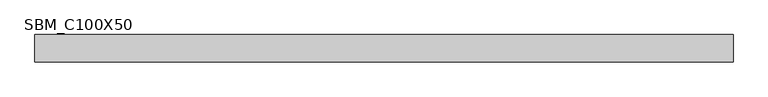
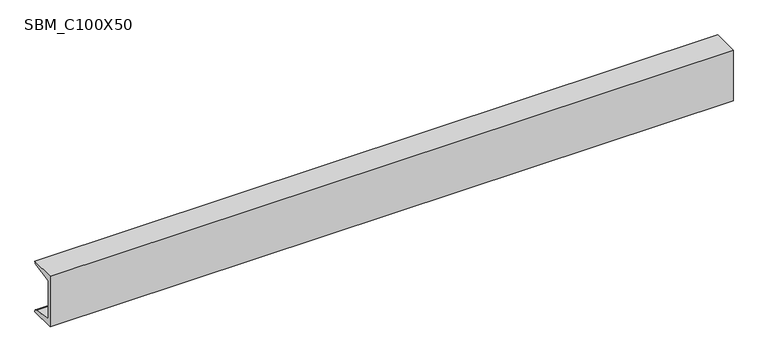
"""IFC4 building model written with IfcOpenShell, lengths in millimetres: beam geometry, SBM_C100X50."""

import ifcopenshell
import ifcopenshell.guid

model = None  # the IFC model being written
_history = None  # IfcOwnerHistory: only IFC2X3 demands one
_inside = {}  # id of a spatial element -> (the spatial element, [elements in it])
_under = {}  # id of a project, library or spatial element -> (it, [spatial elements below it])
_declared = {}  # id of a project -> (the project, [libraries it declares])
_typed = {}  # id of a type object -> (the type object, [elements of that type])
_made_of = {}  # id of a material, layer set ... -> (it, [elements and type objects made of it])


def new_model(schema):
    """Start an empty IFC model of exactly this schema.

    Asked for "IFC4X3", IfcOpenShell would pick the latest addendum, in which some entities
    have other attributes; the version numbers below select the first issue.
    IFC2X3 requires an IfcOwnerHistory on every rooted entity: one is made here for all.
    """
    global model, _history
    if schema == "IFC4X3":
        model = ifcopenshell.file(schema_version=(4, 3, 0, 0))
    else:
        model = ifcopenshell.file(schema=schema)
    _inside.clear()
    _under.clear()
    _declared.clear()
    _typed.clear()
    _made_of.clear()
    _history = None
    if model.schema == "IFC2X3":
        org = make("IfcOrganization", Name="unknown")
        user = make(
            "IfcPersonAndOrganization",
            ThePerson=make("IfcPerson", FamilyName="unknown"),
            TheOrganization=org,
        )
        app = make(
            "IfcApplication",
            ApplicationDeveloper=org,
            Version="unknown",
            ApplicationFullName="unknown",
            ApplicationIdentifier="unknown",
        )
        _history = make(
            "IfcOwnerHistory",
            OwningUser=user,
            OwningApplication=app,
            ChangeAction="ADDED",
            CreationDate=0,
        )
    return model


def make(cls, **values):
    """One entity of the class cls with the attributes given. An attribute that is None is left unset."""
    return model.create_entity(
        cls, **{name: value for name, value in values.items() if value is not None}
    )


def rooted(cls, **values):
    """An entity with a GlobalId (a new one), such as an element, a storey or a relation."""
    return make(cls, GlobalId=ifcopenshell.guid.new(), OwnerHistory=_history, **values)


def si_unit(unit_type, name, prefix=None):
    """IfcSIUnit, for example si_unit("LENGTHUNIT", "METRE", prefix="MILLI")."""
    return make("IfcSIUnit", UnitType=unit_type, Prefix=prefix, Name=name)


def assignment(units):
    """IfcUnitAssignment: the units of a project."""
    return None if units is None else make("IfcUnitAssignment", Units=units)


def point(xyz):
    """IfcCartesianPoint."""
    return None if xyz is None else make("IfcCartesianPoint", Coordinates=xyz)


def direction(xyz):
    """IfcDirection."""
    return None if xyz is None else make("IfcDirection", DirectionRatios=xyz)


def frame(location, z_axis=None, x_axis=None):
    """IfcAxis2Placement3D, a coordinate frame: its origin and axes. An axis left out is left unset."""
    return make(
        "IfcAxis2Placement3D",
        Location=point(location),
        Axis=direction(z_axis),
        RefDirection=direction(x_axis),
    )


def frame_2d(location, x_axis=None):
    """IfcAxis2Placement2D, a coordinate frame in the plane: its origin and x axis."""
    return make(
        "IfcAxis2Placement2D", Location=point(location), RefDirection=direction(x_axis)
    )


def origin():
    """The frame at (0, 0, 0) with its axes left unset."""
    return frame((0.0, 0.0, 0.0))


def place(relative_to, where):
    """IfcLocalPlacement: puts the frame where relative to a parent placement (None: the world)."""
    return make(
        "IfcLocalPlacement", PlacementRelTo=relative_to, RelativePlacement=where
    )


def context(
    kind, dimensions, precision=None, world=None, true_north=None, identifier=None
):
    """IfcGeometricRepresentationContext, for example the 3D "Model" context."""
    return make(
        "IfcGeometricRepresentationContext",
        ContextIdentifier=identifier,
        ContextType=kind,
        CoordinateSpaceDimension=dimensions,
        Precision=precision,
        WorldCoordinateSystem=world,
        TrueNorth=true_north,
    )


def project(units=None, contexts=None):
    """IfcProject with its units and contexts."""
    return rooted(
        "IfcProject",
        Name="project",
        RepresentationContexts=contexts,
        UnitsInContext=assignment(units),
    )


def spatial(cls, under=None, at=None, **own):
    """A site, building, storey or space (cls), placed at a placement, below another one or the project."""
    s = rooted(cls, ObjectPlacement=at, **own)
    if under is not None:
        _under.setdefault(under.id(), (under, []))[1].append(s)
    return s


def polyline(points):
    """IfcPolyline through the points."""
    return make("IfcPolyline", Points=[point(p) for p in points])


def circle_curve(where, radius):
    """IfcCircle in the frame where."""
    return make("IfcCircle", Position=where, Radius=radius)


def trimmed(basis, trim1, trim2, sense, master):
    """IfcTrimmedCurve: the piece of a basis curve between two trims."""
    return make(
        "IfcTrimmedCurve",
        BasisCurve=basis,
        Trim1=trim1,
        Trim2=trim2,
        SenseAgreement=sense,
        MasterRepresentation=master,
    )


def segment(curve, same_sense, transition):
    """IfcCompositeCurveSegment."""
    return make(
        "IfcCompositeCurveSegment",
        Transition=transition,
        SameSense=same_sense,
        ParentCurve=curve,
    )


def composite_curve(segments, self_intersect=None):
    """IfcCompositeCurve: segments joined end to end."""
    return make("IfcCompositeCurve", Segments=segments, SelfIntersect=self_intersect)


def outline(outer, holes=None, kind="AREA"):
    """IfcArbitraryClosedProfileDef: a profile drawn as a closed curve; with holes, ...WithVoids."""
    if holes is None:
        return make("IfcArbitraryClosedProfileDef", ProfileType=kind, OuterCurve=outer)
    return make(
        "IfcArbitraryProfileDefWithVoids",
        ProfileType=kind,
        OuterCurve=outer,
        InnerCurves=holes,
    )


def extrude(swept, where, along, depth):
    """IfcExtrudedAreaSolid: the profile swept, set in the frame where, extruded along a direction by depth."""
    return make(
        "IfcExtrudedAreaSolid",
        SweptArea=swept,
        Position=where,
        ExtrudedDirection=direction(along),
        Depth=depth,
    )


def shape(context_of_items, identifier, shape_type, items):
    """IfcShapeRepresentation: the items that make up one representation, for example the "Body"."""
    return make(
        "IfcShapeRepresentation",
        ContextOfItems=context_of_items,
        RepresentationIdentifier=identifier,
        RepresentationType=shape_type,
        Items=items,
    )


def source(mapping_origin, context_of_items, identifier, shape_type, items):
    """IfcRepresentationMap: a shape defined once, which mapped items show again and again."""
    return make(
        "IfcRepresentationMap",
        MappingOrigin=mapping_origin,
        MappedRepresentation=shape(context_of_items, identifier, shape_type, items),
    )


def transform(
    local_origin,
    x_axis=None,
    y_axis=None,
    z_axis=None,
    scale=None,
    scale2=None,
    scale3=None,
    uniform=True,
):
    """IfcCartesianTransformationOperator3D, or its non-uniform kind. x_axis, y_axis, z_axis: its Axis1, 2, 3."""
    if uniform:
        return make(
            "IfcCartesianTransformationOperator3D",
            Axis1=direction(x_axis),
            Axis2=direction(y_axis),
            LocalOrigin=point(local_origin),
            Scale=scale,
            Axis3=direction(z_axis),
        )
    return make(
        "IfcCartesianTransformationOperator3DnonUniform",
        Axis1=direction(x_axis),
        Axis2=direction(y_axis),
        LocalOrigin=point(local_origin),
        Scale=scale,
        Axis3=direction(z_axis),
        Scale2=scale2,
        Scale3=scale3,
    )


def mapped(mapping_source, mapping_target):
    """IfcMappedItem: shows the shape of a source again, moved by a transform."""
    return make(
        "IfcMappedItem", MappingSource=mapping_source, MappingTarget=mapping_target
    )


def made_of(thing, what):
    """Note that an element or type object is made of a material, layer set ...; save() writes the relation."""
    if what is not None:
        _made_of.setdefault(what.id(), (what, []))[1].append(thing)
    return thing


def element(
    cls,
    number,
    at=None,
    inside=None,
    cuts=None,
    type_object=None,
    material=None,
    context=None,
    identifier="Body",
    shape_type=None,
    held_by="IfcProductDefinitionShape",
    body=None,
    shapes=None,
    **own,
):
    """One element of the class cls, such as IfcWall. Its Tag is "e" and its number.

    at: its placement. inside: the storey or other place that contains it. cuts: it is an
    opening in that element (IfcRelVoidsElement). A single representation is given by context,
    identifier, shape_type and body (its items); several are given by shapes. held_by: the class
    of the entity that holds the representations. save() writes the other relations.
    """
    e = rooted(cls, Tag="e%d" % number, ObjectPlacement=at, **own)
    if body is not None:
        shapes = [shape(context, identifier, shape_type, body)]
    if shapes is not None:
        e.Representation = make(held_by, Representations=shapes)
    if inside is not None:
        _inside.setdefault(inside.id(), (inside, []))[1].append(e)
    if cuts is not None:
        rooted(
            "IfcRelVoidsElement", RelatingBuildingElement=cuts, RelatedOpeningElement=e
        )
    if type_object is not None:
        _typed.setdefault(type_object.id(), (type_object, []))[1].append(e)
    return made_of(e, material)


def aggregate(whole, parts):
    """IfcRelAggregates: a whole, such as a stair, and the parts it consists of."""
    return rooted("IfcRelAggregates", RelatingObject=whole, RelatedObjects=parts)


def save(model, path):
    """Write the relations noted so far, then the file.

    IfcRelAggregates (storeys below a building ...), IfcRelContainedInSpatialStructure (elements
    in a storey), IfcRelDefinesByType, IfcRelAssociatesMaterial and IfcRelDeclares: one each for
    every whole, place, type object, material and project.
    """
    for whole, parts in _under.values():
        aggregate(whole, parts)
    for where, things in _inside.values():
        rooted(
            "IfcRelContainedInSpatialStructure",
            RelatedElements=things,
            RelatingStructure=where,
        )
    for kind, things in _typed.values():
        rooted("IfcRelDefinesByType", RelatedObjects=things, RelatingType=kind)
    for what, things in _made_of.values():
        rooted("IfcRelAssociatesMaterial", RelatedObjects=things, RelatingMaterial=what)
    for by, libraries in _declared.values():
        rooted("IfcRelDeclares", RelatingContext=by, RelatedDefinitions=libraries)
    model.write(path)


def sbm_c100x50_7dd7d4e3(model_context):
    return source(origin(), model_context, "Body", "SweptSolid", [
        extrude(outline(composite_curve([segment(polyline([(-8.5, 50.0), (41.5, 50.0)]), True, "CONTINUOUS"), segment(trimmed(circle_curve(frame_2d((35.5, 50.0)), 6.0), [point((41.5, 50.0))], [point((35.5, 44.0))], False, "CARTESIAN"), True, "CONTINUOUS"), segment(polyline([(35.5, 44.0), (-2.5, 37.9813913), (-2.5, -37.9813913), (35.5, -44.0)]), True, "CONTINUOUS"), segment(trimmed(circle_curve(frame_2d((35.5, -50.0)), 6.0), [point((35.5, -44.0))], [point((41.5, -50.0))], False, "CARTESIAN"), True, "CONTINUOUS"), segment(polyline([(41.5, -50.0), (-8.5, -50.0), (-8.5, 50.0)]), True, "CONTINUOUS")], self_intersect=False)), frame((-639.5, 0.0, 0.0), z_axis=(1.0, 0.0, 0.0), x_axis=(0.0, 1.0, 0.0)), (0.0, 0.0, 1.0), 1279.0),
    ])


if __name__ == "__main__":
    model = new_model("IFC4")
    model_context = context("Model", 3, world=origin())
    ifc_project = project(units=[si_unit("LENGTHUNIT", "METRE", prefix="MILLI")], contexts=[model_context])
    site = spatial("IfcSite", under=ifc_project)
    building = spatial("IfcBuilding", under=site)
    placement = place(None, origin())
    sbm_c100x50_shape = sbm_c100x50_7dd7d4e3(model_context)
    element("IfcBeam", 1, ObjectType="SBM_C100X50", at=placement, inside=building, context=model_context, shape_type="MappedRepresentation", body=[
        mapped(sbm_c100x50_shape, transform((0.0, 0.0, 0.0), x_axis=(1.0, 0.0, 0.0), y_axis=(0.0, 1.0, 0.0), z_axis=(0.0, 0.0, 1.0))),
    ])
    save(model, "model.ifc")
